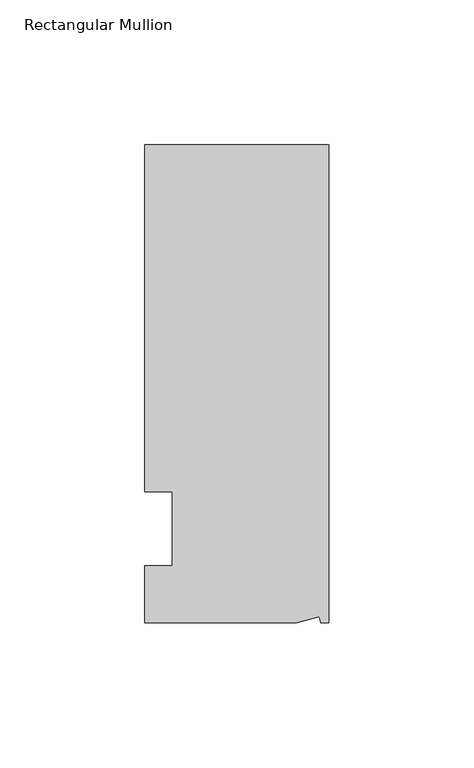
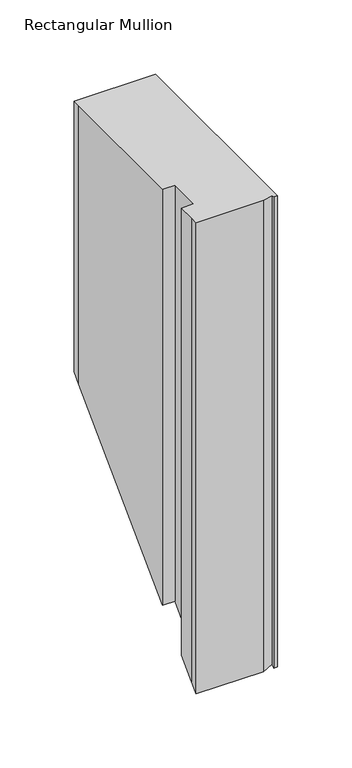
"""IFC4 building model written with IfcOpenShell, lengths in millimetres: member geometry, Rectangular Mullion."""

from ifc_helpers import new_model, si_unit, origin, place, context, project, spatial, faceted_brep, source, transform, mapped, element, save


def rectangular_mullion_fe029bd1(model_context):
    return source(origin(), model_context, "Body", "Brep", [
        faceted_brep([(0.0, 132.5561012, 0.0), (-63.5, 132.5561012, 0.0), (-63.5, 126.2061012, 0.0), (-63.5, 12.8488281, 0.0), (-53.975, 12.8488281, 0.0), (-53.975, -12.7, 0.0), (-63.5, -12.7, 0.0), (-63.5, -26.1938988, 0.0), (-63.5076469, -32.5438988, 0.0), (-11.1125, -32.5438988, 0.0), (-3.3223696, -30.4565397, 0.0), (-2.7630634, -32.5438988, 0.0), (0.0, -32.5438988, 0.0), (0.0, 132.5561012, -223.0438988), (-63.5, 132.5561012, -223.0438988), (-63.5, 126.2061012, -229.3938988), (-63.5, 12.8488281, -342.7511719), (-53.975, 12.8488281, -342.7511719), (-53.975, -12.7, -368.3), (-63.5, -12.7, -368.3), (-63.5, -26.1938988, -381.7938988), (-63.5076469, -32.5438988, -388.1438988), (-11.1125, -32.5438988, -388.1438988), (-3.3223696, -30.4565397, -386.0565397), (-2.7630634, -32.5438988, -388.1438988), (0.0, -32.5438988, -388.1438988)], [[[0, 1, 2, 3, 4, 5, 6, 7, 8, 9, 10, 11, 12]], [[1, 0, 13, 14]], [[3, 2, 15, 16]], [[4, 3, 16, 17]], [[5, 4, 17, 18]], [[6, 5, 18, 19]], [[7, 6, 19, 20]], [[9, 8, 21, 22]], [[10, 9, 22, 23]], [[11, 10, 23, 24]], [[12, 11, 24, 25]], [[0, 12, 25, 13]], [[13, 25, 24, 23, 22, 21, 20, 19, 18, 17, 16, 15, 14]], [[2, 1, 14, 15]], [[8, 7, 20, 21]]]),
    ])


if __name__ == "__main__":
    model = new_model("IFC4")
    model_context = context("Model", 3, world=origin())
    ifc_project = project(units=[si_unit("LENGTHUNIT", "METRE", prefix="MILLI")], contexts=[model_context])
    site = spatial("IfcSite", under=ifc_project)
    building = spatial("IfcBuilding", under=site)
    placement = place(None, origin())
    rectangular_mullion_shape = rectangular_mullion_fe029bd1(model_context)
    element("IfcMember", 1, ObjectType="Rectangular Mullion", at=placement, inside=building, context=model_context, shape_type="MappedRepresentation", body=[
        mapped(rectangular_mullion_shape, transform((0.0, 0.0, 0.0), x_axis=(1.0, 0.0, 0.0), y_axis=(0.0, 1.0, 0.0), z_axis=(0.0, 0.0, 1.0))),
    ])
    save(model, "model.ifc")
